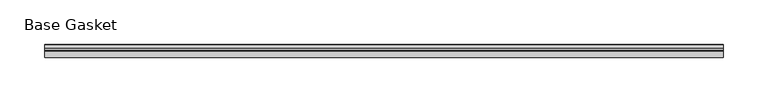
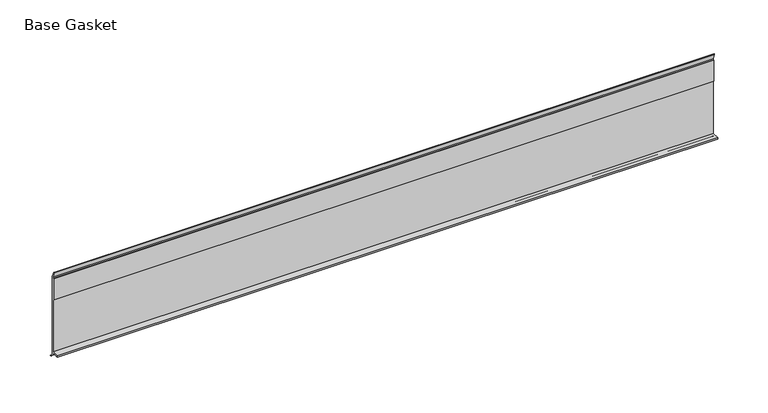
"""IFC4 building model written with IfcOpenShell, lengths in millimetres: furniture geometry, Base Gasket."""

from ifc_helpers import new_model, si_unit, frame, origin, place, context, project, spatial, polyline, outline, extrude, source, transform, mapped, element, save


def base_gasket_5eed766a(model_context):
    return source(origin(), model_context, "Body", "SweptSolid", [
        extrude(outline(polyline([(3.7283812, 98.4568417), (3.7283812, 4.3498477), (7.4222115, 0.6560174), (7.8482342, 0.0), (6.8281054, 0.3520979), (2.2043812, 4.3498477), (2.1334222, 6.3818476), (-6.2405171, 6.3818476), (-6.2405171, 7.9398773), (2.2043812, 7.9398773), (2.2043812, 71.4693447), (1.4106313, 71.4693447), (1.4106313, 96.8693477), (2.2043812, 96.8693477), (2.2043812, 98.4568417), (0.6755308, 104.4162708), (0.6755308, 105.2002997), (1.1891543, 104.587663), (3.7283812, 98.4568417)])), frame((-1527.8982117, 0.0, 0.0), z_axis=(1.0, 0.0, 0.0), x_axis=(0.0, 1.0, 0.0)), (0.0, 0.0, 1.0), 756.2017997),
    ])


if __name__ == "__main__":
    model = new_model("IFC4")
    model_context = context("Model", 3, world=origin())
    ifc_project = project(units=[si_unit("LENGTHUNIT", "METRE", prefix="MILLI")], contexts=[model_context])
    site = spatial("IfcSite", under=ifc_project)
    building = spatial("IfcBuilding", under=site)
    placement = place(None, origin())
    base_gasket_shape = base_gasket_5eed766a(model_context)
    element("IfcFurniture", 1, ObjectType="Base Gasket", at=placement, inside=building, context=model_context, shape_type="MappedRepresentation", body=[
        mapped(base_gasket_shape, transform((0.0, 0.0, 0.0), x_axis=(1.0, 0.0, 0.0), y_axis=(0.0, 1.0, 0.0), z_axis=(0.0, 0.0, 1.0))),
    ])
    save(model, "model.ifc")
